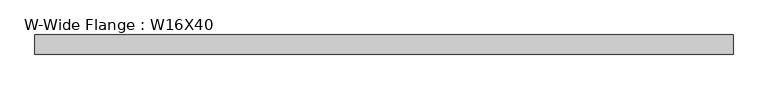
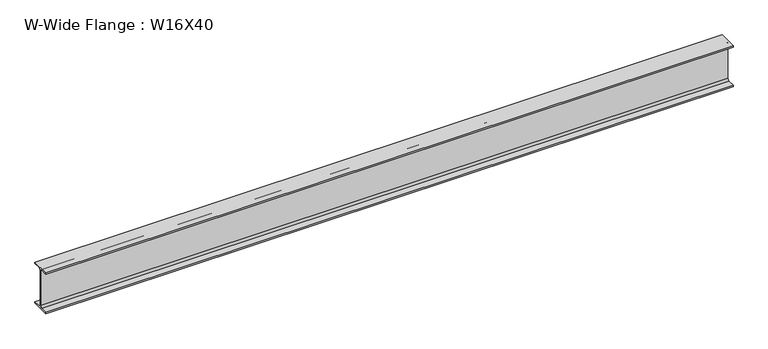
"""IFC4 building model written with IfcOpenShell, lengths in millimetres: beam geometry, W-Wide Flange : W16X40."""

import ifcopenshell
import ifcopenshell.guid

model = None  # the IFC model being written
_history = None  # IfcOwnerHistory: only IFC2X3 demands one
_inside = {}  # id of a spatial element -> (the spatial element, [elements in it])
_under = {}  # id of a project, library or spatial element -> (it, [spatial elements below it])
_declared = {}  # id of a project -> (the project, [libraries it declares])
_typed = {}  # id of a type object -> (the type object, [elements of that type])
_made_of = {}  # id of a material, layer set ... -> (it, [elements and type objects made of it])


def new_model(schema):
    """Start an empty IFC model of exactly this schema.

    Asked for "IFC4X3", IfcOpenShell would pick the latest addendum, in which some entities
    have other attributes; the version numbers below select the first issue.
    IFC2X3 requires an IfcOwnerHistory on every rooted entity: one is made here for all.
    """
    global model, _history
    if schema == "IFC4X3":
        model = ifcopenshell.file(schema_version=(4, 3, 0, 0))
    else:
        model = ifcopenshell.file(schema=schema)
    _inside.clear()
    _under.clear()
    _declared.clear()
    _typed.clear()
    _made_of.clear()
    _history = None
    if model.schema == "IFC2X3":
        org = make("IfcOrganization", Name="unknown")
        user = make(
            "IfcPersonAndOrganization",
            ThePerson=make("IfcPerson", FamilyName="unknown"),
            TheOrganization=org,
        )
        app = make(
            "IfcApplication",
            ApplicationDeveloper=org,
            Version="unknown",
            ApplicationFullName="unknown",
            ApplicationIdentifier="unknown",
        )
        _history = make(
            "IfcOwnerHistory",
            OwningUser=user,
            OwningApplication=app,
            ChangeAction="ADDED",
            CreationDate=0,
        )
    return model


def make(cls, **values):
    """One entity of the class cls with the attributes given. An attribute that is None is left unset."""
    return model.create_entity(
        cls, **{name: value for name, value in values.items() if value is not None}
    )


def rooted(cls, **values):
    """An entity with a GlobalId (a new one), such as an element, a storey or a relation."""
    return make(cls, GlobalId=ifcopenshell.guid.new(), OwnerHistory=_history, **values)


def si_unit(unit_type, name, prefix=None):
    """IfcSIUnit, for example si_unit("LENGTHUNIT", "METRE", prefix="MILLI")."""
    return make("IfcSIUnit", UnitType=unit_type, Prefix=prefix, Name=name)


def assignment(units):
    """IfcUnitAssignment: the units of a project."""
    return None if units is None else make("IfcUnitAssignment", Units=units)


def point(xyz):
    """IfcCartesianPoint."""
    return None if xyz is None else make("IfcCartesianPoint", Coordinates=xyz)


def direction(xyz):
    """IfcDirection."""
    return None if xyz is None else make("IfcDirection", DirectionRatios=xyz)


def frame(location, z_axis=None, x_axis=None):
    """IfcAxis2Placement3D, a coordinate frame: its origin and axes. An axis left out is left unset."""
    return make(
        "IfcAxis2Placement3D",
        Location=point(location),
        Axis=direction(z_axis),
        RefDirection=direction(x_axis),
    )


def frame_2d(location, x_axis=None):
    """IfcAxis2Placement2D, a coordinate frame in the plane: its origin and x axis."""
    return make(
        "IfcAxis2Placement2D", Location=point(location), RefDirection=direction(x_axis)
    )


def origin():
    """The frame at (0, 0, 0) with its axes left unset."""
    return frame((0.0, 0.0, 0.0))


def place(relative_to, where):
    """IfcLocalPlacement: puts the frame where relative to a parent placement (None: the world)."""
    return make(
        "IfcLocalPlacement", PlacementRelTo=relative_to, RelativePlacement=where
    )


def context(
    kind, dimensions, precision=None, world=None, true_north=None, identifier=None
):
    """IfcGeometricRepresentationContext, for example the 3D "Model" context."""
    return make(
        "IfcGeometricRepresentationContext",
        ContextIdentifier=identifier,
        ContextType=kind,
        CoordinateSpaceDimension=dimensions,
        Precision=precision,
        WorldCoordinateSystem=world,
        TrueNorth=true_north,
    )


def project(units=None, contexts=None):
    """IfcProject with its units and contexts."""
    return rooted(
        "IfcProject",
        Name="project",
        RepresentationContexts=contexts,
        UnitsInContext=assignment(units),
    )


def spatial(cls, under=None, at=None, **own):
    """A site, building, storey or space (cls), placed at a placement, below another one or the project."""
    s = rooted(cls, ObjectPlacement=at, **own)
    if under is not None:
        _under.setdefault(under.id(), (under, []))[1].append(s)
    return s


def polyline(points):
    """IfcPolyline through the points."""
    return make("IfcPolyline", Points=[point(p) for p in points])


def circle_curve(where, radius):
    """IfcCircle in the frame where."""
    return make("IfcCircle", Position=where, Radius=radius)


def trimmed(basis, trim1, trim2, sense, master):
    """IfcTrimmedCurve: the piece of a basis curve between two trims."""
    return make(
        "IfcTrimmedCurve",
        BasisCurve=basis,
        Trim1=trim1,
        Trim2=trim2,
        SenseAgreement=sense,
        MasterRepresentation=master,
    )


def segment(curve, same_sense, transition):
    """IfcCompositeCurveSegment."""
    return make(
        "IfcCompositeCurveSegment",
        Transition=transition,
        SameSense=same_sense,
        ParentCurve=curve,
    )


def composite_curve(segments, self_intersect=None):
    """IfcCompositeCurve: segments joined end to end."""
    return make("IfcCompositeCurve", Segments=segments, SelfIntersect=self_intersect)


def outline(outer, holes=None, kind="AREA"):
    """IfcArbitraryClosedProfileDef: a profile drawn as a closed curve; with holes, ...WithVoids."""
    if holes is None:
        return make("IfcArbitraryClosedProfileDef", ProfileType=kind, OuterCurve=outer)
    return make(
        "IfcArbitraryProfileDefWithVoids",
        ProfileType=kind,
        OuterCurve=outer,
        InnerCurves=holes,
    )


def extrude(swept, where, along, depth):
    """IfcExtrudedAreaSolid: the profile swept, set in the frame where, extruded along a direction by depth."""
    return make(
        "IfcExtrudedAreaSolid",
        SweptArea=swept,
        Position=where,
        ExtrudedDirection=direction(along),
        Depth=depth,
    )


def shape(context_of_items, identifier, shape_type, items):
    """IfcShapeRepresentation: the items that make up one representation, for example the "Body"."""
    return make(
        "IfcShapeRepresentation",
        ContextOfItems=context_of_items,
        RepresentationIdentifier=identifier,
        RepresentationType=shape_type,
        Items=items,
    )


def source(mapping_origin, context_of_items, identifier, shape_type, items):
    """IfcRepresentationMap: a shape defined once, which mapped items show again and again."""
    return make(
        "IfcRepresentationMap",
        MappingOrigin=mapping_origin,
        MappedRepresentation=shape(context_of_items, identifier, shape_type, items),
    )


def transform(
    local_origin,
    x_axis=None,
    y_axis=None,
    z_axis=None,
    scale=None,
    scale2=None,
    scale3=None,
    uniform=True,
):
    """IfcCartesianTransformationOperator3D, or its non-uniform kind. x_axis, y_axis, z_axis: its Axis1, 2, 3."""
    if uniform:
        return make(
            "IfcCartesianTransformationOperator3D",
            Axis1=direction(x_axis),
            Axis2=direction(y_axis),
            LocalOrigin=point(local_origin),
            Scale=scale,
            Axis3=direction(z_axis),
        )
    return make(
        "IfcCartesianTransformationOperator3DnonUniform",
        Axis1=direction(x_axis),
        Axis2=direction(y_axis),
        LocalOrigin=point(local_origin),
        Scale=scale,
        Axis3=direction(z_axis),
        Scale2=scale2,
        Scale3=scale3,
    )


def mapped(mapping_source, mapping_target):
    """IfcMappedItem: shows the shape of a source again, moved by a transform."""
    return make(
        "IfcMappedItem", MappingSource=mapping_source, MappingTarget=mapping_target
    )


def made_of(thing, what):
    """Note that an element or type object is made of a material, layer set ...; save() writes the relation."""
    if what is not None:
        _made_of.setdefault(what.id(), (what, []))[1].append(thing)
    return thing


def element(
    cls,
    number,
    at=None,
    inside=None,
    cuts=None,
    type_object=None,
    material=None,
    context=None,
    identifier="Body",
    shape_type=None,
    held_by="IfcProductDefinitionShape",
    body=None,
    shapes=None,
    **own,
):
    """One element of the class cls, such as IfcWall. Its Tag is "e" and its number.

    at: its placement. inside: the storey or other place that contains it. cuts: it is an
    opening in that element (IfcRelVoidsElement). A single representation is given by context,
    identifier, shape_type and body (its items); several are given by shapes. held_by: the class
    of the entity that holds the representations. save() writes the other relations.
    """
    e = rooted(cls, Tag="e%d" % number, ObjectPlacement=at, **own)
    if body is not None:
        shapes = [shape(context, identifier, shape_type, body)]
    if shapes is not None:
        e.Representation = make(held_by, Representations=shapes)
    if inside is not None:
        _inside.setdefault(inside.id(), (inside, []))[1].append(e)
    if cuts is not None:
        rooted(
            "IfcRelVoidsElement", RelatingBuildingElement=cuts, RelatedOpeningElement=e
        )
    if type_object is not None:
        _typed.setdefault(type_object.id(), (type_object, []))[1].append(e)
    return made_of(e, material)


def aggregate(whole, parts):
    """IfcRelAggregates: a whole, such as a stair, and the parts it consists of."""
    return rooted("IfcRelAggregates", RelatingObject=whole, RelatedObjects=parts)


def save(model, path):
    """Write the relations noted so far, then the file.

    IfcRelAggregates (storeys below a building ...), IfcRelContainedInSpatialStructure (elements
    in a storey), IfcRelDefinesByType, IfcRelAssociatesMaterial and IfcRelDeclares: one each for
    every whole, place, type object, material and project.
    """
    for whole, parts in _under.values():
        aggregate(whole, parts)
    for where, things in _inside.values():
        rooted(
            "IfcRelContainedInSpatialStructure",
            RelatedElements=things,
            RelatingStructure=where,
        )
    for kind, things in _typed.values():
        rooted("IfcRelDefinesByType", RelatedObjects=things, RelatingType=kind)
    for what, things in _made_of.values():
        rooted("IfcRelAssociatesMaterial", RelatedObjects=things, RelatingMaterial=what)
    for by, libraries in _declared.values():
        rooted("IfcRelDeclares", RelatingContext=by, RelatedDefinitions=libraries)
    model.write(path)


def w_wide_flange_w16x40_8b56a16d(model_context):
    return source(origin(), model_context, "Body", "SweptSolid", [
        extrude(outline(composite_curve([segment(polyline([(88.9, -190.4), (88.9, -203.2), (-88.9, -203.2), (-88.9, -190.4), (-21.25, -190.4)]), True, "CONTINUOUS"), segment(trimmed(circle_curve(frame_2d((-21.25, -173.0)), 17.4), [point((-21.25, -190.4))], [point((-3.85, -173.0))], True, "CARTESIAN"), True, "CONTINUOUS"), segment(polyline([(-3.85, -173.0), (-3.85, 173.0)]), True, "CONTINUOUS"), segment(trimmed(circle_curve(frame_2d((-21.25, 173.0)), 17.4), [point((-3.85, 173.0))], [point((-21.25, 190.4))], True, "CARTESIAN"), True, "CONTINUOUS"), segment(polyline([(-21.25, 190.4), (-88.9, 190.4), (-88.9, 203.2), (88.9, 203.2), (88.9, 190.4), (21.25, 190.4)]), True, "CONTINUOUS"), segment(trimmed(circle_curve(frame_2d((21.25, 173.0)), 17.4), [point((21.25, 190.4))], [point((3.85, 173.0))], True, "CARTESIAN"), True, "CONTINUOUS"), segment(polyline([(3.85, 173.0), (3.85, -173.0)]), True, "CONTINUOUS"), segment(trimmed(circle_curve(frame_2d((21.25, -173.0)), 17.4), [point((3.85, -173.0))], [point((21.25, -190.4))], True, "CARTESIAN"), True, "CONTINUOUS"), segment(polyline([(21.25, -190.4), (88.9, -190.4)]), True, "CONTINUOUS")], self_intersect=False)), frame((-3330.3651772, 0.0, 0.0), z_axis=(1.0, 0.0, 0.0), x_axis=(0.0, 1.0, 0.0)), (0.0, 0.0, 1.0), 6474.282679),
    ])


if __name__ == "__main__":
    model = new_model("IFC4")
    model_context = context("Model", 3, world=origin())
    ifc_project = project(units=[si_unit("LENGTHUNIT", "METRE", prefix="MILLI")], contexts=[model_context])
    site = spatial("IfcSite", under=ifc_project)
    building = spatial("IfcBuilding", under=site)
    placement = place(None, origin())
    w_wide_flange_w16x40_shape = w_wide_flange_w16x40_8b56a16d(model_context)
    element("IfcBeam", 1, ObjectType="W-Wide Flange : W16X40", at=placement, inside=building, context=model_context, shape_type="MappedRepresentation", body=[
        mapped(w_wide_flange_w16x40_shape, transform((0.0, 0.0, 0.0), x_axis=(1.0, 0.0, 0.0), y_axis=(0.0, 1.0, 0.0), z_axis=(0.0, 0.0, 1.0))),
    ])
    save(model, "model.ifc")
